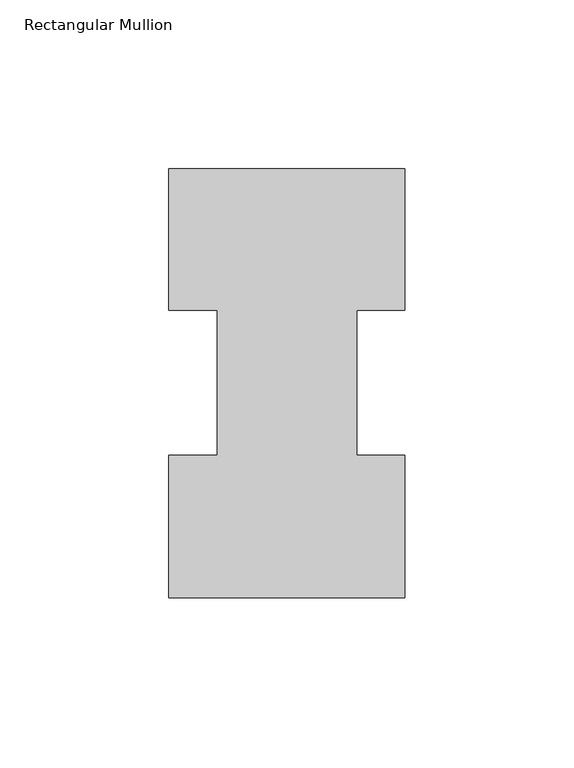
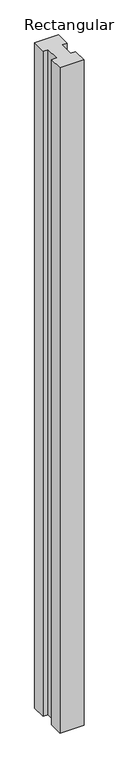
"""IFC4 building model written with IfcOpenShell, lengths in millimetres: member geometry, Rectangular Mullion."""

from ifc_helpers import new_model, si_unit, frame, origin, place, context, project, spatial, polyline, outline, extrude, source, transform, mapped, element, save


def rectangular_mullion_df429859(model_context):
    return source(origin(), model_context, "Body", "SweptSolid", [
        extrude(outline(polyline([(34.925, 127.0142875), (34.925, 85.1296875), (20.64004, 85.1296875), (20.64004, 42.2798875), (34.925, 42.2798875), (34.925, 0.0142875), (-34.925, 0.0142875), (-34.925, 42.2869908), (-20.64004, 42.2869908), (-20.64004, 85.1296875), (-34.925, 85.1296875), (-34.925, 127.0142875), (34.925, 127.0142875)])), frame((0.0, 0.0, -2044.4591858), z_axis=(0.0, 0.0, 1.0), x_axis=(1.0, 0.0, 0.0)), (0.0, 0.0, 1.0), 2044.4591858),
    ])


if __name__ == "__main__":
    model = new_model("IFC4")
    model_context = context("Model", 3, world=origin())
    ifc_project = project(units=[si_unit("LENGTHUNIT", "METRE", prefix="MILLI")], contexts=[model_context])
    site = spatial("IfcSite", under=ifc_project)
    building = spatial("IfcBuilding", under=site)
    placement = place(None, origin())
    rectangular_mullion_shape = rectangular_mullion_df429859(model_context)
    element("IfcMember", 1, ObjectType="Rectangular Mullion", at=placement, inside=building, context=model_context, shape_type="MappedRepresentation", body=[
        mapped(rectangular_mullion_shape, transform((0.0, 0.0, 0.0), x_axis=(1.0, 0.0, 0.0), y_axis=(0.0, 1.0, 0.0), z_axis=(0.0, 0.0, 1.0))),
    ])
    save(model, "model.ifc")
